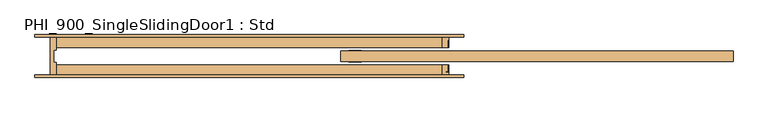
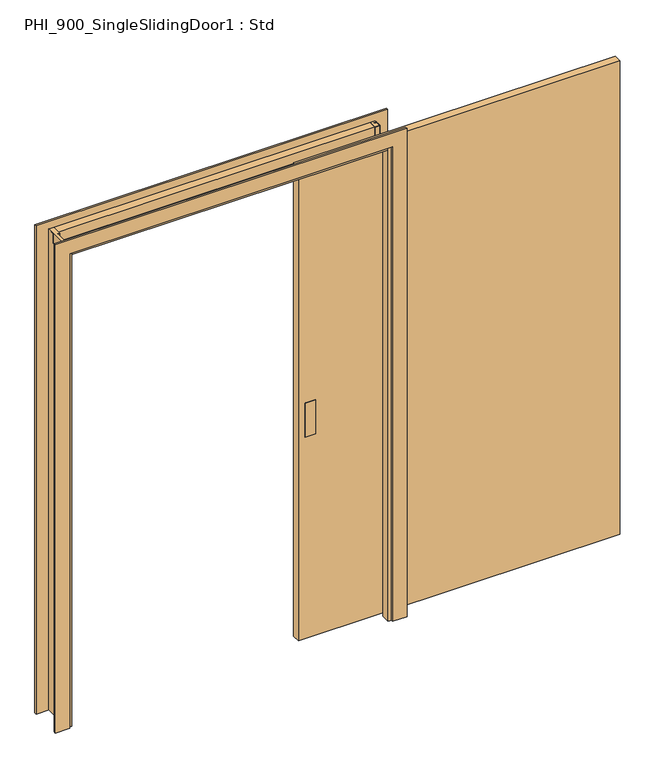
"""IFC4 building model written with IfcOpenShell, lengths in millimetres: door geometry, PHI_900_SingleSlidingDoor1 : Std."""

from ifc_helpers import new_model, si_unit, frame, origin, origin_with_axes, place, context, project, spatial, polyline, outline, extrude, source, transform, mapped, element, save


def phi_900_singleslidingdoor1_std_7efae076(model_context):
    return source(origin(), model_context, "Body", "SweptSolid", [
        extrude(outline(polyline([(2036.0, -20.0), (487.0, -20.0), (487.0, 20.0), (2036.0, 20.0), (2036.0, -20.0)])), frame((0.0, 0.0, 7.0), z_axis=(0.0, 0.0, 1.0), x_axis=(1.0, 0.0, 0.0)), (0.0, 0.0, 1.0), 2410.0),
        extrude(outline(polyline([(567.1157696, 22.5), (567.1157696, 20.0), (517.0, 20.0), (517.0, 22.5), (567.1157696, 22.5)])), frame((0.0, 0.0, 1033.6454934), z_axis=(0.0, 0.0, 1.0), x_axis=(1.0, 0.0, 0.0)), (0.0, 0.0, 1.0), 173.3545066),
        extrude(outline(polyline([(567.1157696, -20.0), (567.1157696, -22.5), (517.0, -22.5), (517.0, -20.0), (567.1157696, -20.0)])), frame((0.0, 0.0, 1033.6454934), z_axis=(0.0, 0.0, 1.0), x_axis=(1.0, 0.0, 0.0)), (0.0, 0.0, 1.0), 173.3545066),
        extrude(outline(polyline([(0.0, -722.0), (0.0, -652.0), (2415.0, -652.0), (2415.0, 902.0), (0.0, 902.0), (0.0, 972.0), (2485.0, 972.0), (2485.0, -722.0), (0.0, -722.0)])), frame((0.0, 75.1, 0.0), z_axis=(0.0, 1.0, 0.0), x_axis=(0.0, 0.0, 1.0)), (0.0, 0.0, 1.0), 10.0),
        extrude(outline(polyline([(0.0, -722.0), (0.0, -652.0), (2415.0, -652.0), (2415.0, 902.0), (0.0, 902.0), (0.0, 972.0), (2485.0, 972.0), (2485.0, -722.0), (0.0, -722.0)])), frame((0.0, -85.1, 0.0), z_axis=(0.0, 1.0, 0.0), x_axis=(0.0, 0.0, 1.0)), (0.0, 0.0, 1.0), 10.0),
        extrude(outline(polyline([(-662.0, 75.1), (-636.9, 75.1), (-636.9, 24.9), (-646.9, 24.9), (-646.9, -24.9), (-636.9, -24.9), (-636.9, -75.1), (-662.0, -75.1), (-662.0, 75.1)])), origin_with_axes(), (0.0, 0.0, 1.0), 2448.0),
        extrude(outline(polyline([(886.9, 75.1), (912.0, 75.1), (912.0, 64.5), (900.0, 64.5), (900.0, 61.3), (909.1, 61.3), (909.1, 34.9), (886.9, 34.9), (886.9, 75.1)])), origin_with_axes(), (0.0, 0.0, 1.0), 2448.0),
        extrude(outline(polyline([(886.9, -75.1), (886.9, -34.9), (909.1, -34.9), (909.1, -61.3), (900.0, -61.3), (900.0, -64.5), (912.0, -64.5), (912.0, -75.1), (886.9, -75.1)])), origin_with_axes(), (0.0, 0.0, 1.0), 2448.0),
        extrude(outline(polyline([(912.0, -34.9), (912.0, -75.1), (-662.0, -75.1), (-662.0, -34.9), (912.0, -34.9)])), frame((0.0, 0.0, 2399.9), z_axis=(0.0, 0.0, 1.0), x_axis=(1.0, 0.0, 0.0)), (0.0, 0.0, 1.0), 48.1),
        extrude(outline(polyline([(912.0, 75.1), (912.0, 34.9), (-662.0, 34.9), (-662.0, 75.1), (912.0, 75.1)])), frame((0.0, 0.0, 2399.9), z_axis=(0.0, 0.0, 1.0), x_axis=(1.0, 0.0, 0.0)), (0.0, 0.0, 1.0), 48.1),
    ])


if __name__ == "__main__":
    model = new_model("IFC4")
    model_context = context("Model", 3, world=origin())
    ifc_project = project(units=[si_unit("LENGTHUNIT", "METRE", prefix="MILLI")], contexts=[model_context])
    site = spatial("IfcSite", under=ifc_project)
    building = spatial("IfcBuilding", under=site)
    placement = place(None, origin())
    phi_900_singleslidingdoor1_std_shape = phi_900_singleslidingdoor1_std_7efae076(model_context)
    element("IfcDoor", 1, ObjectType="PHI_900_SingleSlidingDoor1 : Std", at=placement, inside=building, context=model_context, shape_type="MappedRepresentation", body=[
        mapped(phi_900_singleslidingdoor1_std_shape, transform((0.0, 0.0, 0.0), x_axis=(1.0, 0.0, 0.0), y_axis=(0.0, 1.0, 0.0), z_axis=(0.0, 0.0, 1.0))),
    ])
    save(model, "model.ifc")
